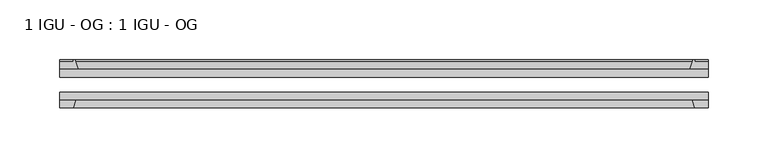
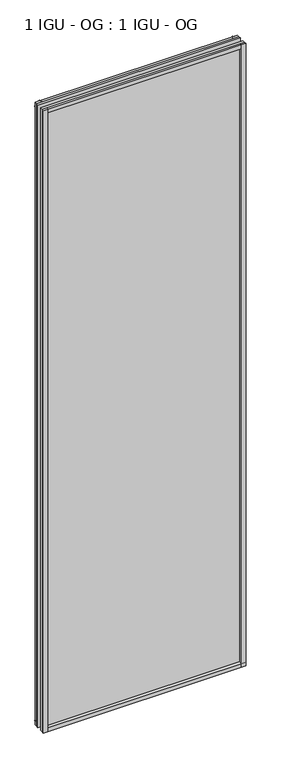
"""IFC4 building model written with IfcOpenShell, lengths in millimetres: plate geometry, 1 IGU - OG : 1 IGU - OG."""

import ifcopenshell
import ifcopenshell.guid

model = None  # the IFC model being written
_history = None  # IfcOwnerHistory: only IFC2X3 demands one
_inside = {}  # id of a spatial element -> (the spatial element, [elements in it])
_under = {}  # id of a project, library or spatial element -> (it, [spatial elements below it])
_declared = {}  # id of a project -> (the project, [libraries it declares])
_typed = {}  # id of a type object -> (the type object, [elements of that type])
_made_of = {}  # id of a material, layer set ... -> (it, [elements and type objects made of it])


def new_model(schema):
    """Start an empty IFC model of exactly this schema.

    Asked for "IFC4X3", IfcOpenShell would pick the latest addendum, in which some entities
    have other attributes; the version numbers below select the first issue.
    IFC2X3 requires an IfcOwnerHistory on every rooted entity: one is made here for all.
    """
    global model, _history
    if schema == "IFC4X3":
        model = ifcopenshell.file(schema_version=(4, 3, 0, 0))
    else:
        model = ifcopenshell.file(schema=schema)
    _inside.clear()
    _under.clear()
    _declared.clear()
    _typed.clear()
    _made_of.clear()
    _history = None
    if model.schema == "IFC2X3":
        org = make("IfcOrganization", Name="unknown")
        user = make(
            "IfcPersonAndOrganization",
            ThePerson=make("IfcPerson", FamilyName="unknown"),
            TheOrganization=org,
        )
        app = make(
            "IfcApplication",
            ApplicationDeveloper=org,
            Version="unknown",
            ApplicationFullName="unknown",
            ApplicationIdentifier="unknown",
        )
        _history = make(
            "IfcOwnerHistory",
            OwningUser=user,
            OwningApplication=app,
            ChangeAction="ADDED",
            CreationDate=0,
        )
    return model


def make(cls, **values):
    """One entity of the class cls with the attributes given. An attribute that is None is left unset."""
    return model.create_entity(
        cls, **{name: value for name, value in values.items() if value is not None}
    )


def rooted(cls, **values):
    """An entity with a GlobalId (a new one), such as an element, a storey or a relation."""
    return make(cls, GlobalId=ifcopenshell.guid.new(), OwnerHistory=_history, **values)


def si_unit(unit_type, name, prefix=None):
    """IfcSIUnit, for example si_unit("LENGTHUNIT", "METRE", prefix="MILLI")."""
    return make("IfcSIUnit", UnitType=unit_type, Prefix=prefix, Name=name)


def assignment(units):
    """IfcUnitAssignment: the units of a project."""
    return None if units is None else make("IfcUnitAssignment", Units=units)


def point(xyz):
    """IfcCartesianPoint."""
    return None if xyz is None else make("IfcCartesianPoint", Coordinates=xyz)


def direction(xyz):
    """IfcDirection."""
    return None if xyz is None else make("IfcDirection", DirectionRatios=xyz)


def frame(location, z_axis=None, x_axis=None):
    """IfcAxis2Placement3D, a coordinate frame: its origin and axes. An axis left out is left unset."""
    return make(
        "IfcAxis2Placement3D",
        Location=point(location),
        Axis=direction(z_axis),
        RefDirection=direction(x_axis),
    )


def frame_2d(location, x_axis=None):
    """IfcAxis2Placement2D, a coordinate frame in the plane: its origin and x axis."""
    return make(
        "IfcAxis2Placement2D", Location=point(location), RefDirection=direction(x_axis)
    )


def origin():
    """The frame at (0, 0, 0) with its axes left unset."""
    return frame((0.0, 0.0, 0.0))


def place(relative_to, where):
    """IfcLocalPlacement: puts the frame where relative to a parent placement (None: the world)."""
    return make(
        "IfcLocalPlacement", PlacementRelTo=relative_to, RelativePlacement=where
    )


def context(
    kind, dimensions, precision=None, world=None, true_north=None, identifier=None
):
    """IfcGeometricRepresentationContext, for example the 3D "Model" context."""
    return make(
        "IfcGeometricRepresentationContext",
        ContextIdentifier=identifier,
        ContextType=kind,
        CoordinateSpaceDimension=dimensions,
        Precision=precision,
        WorldCoordinateSystem=world,
        TrueNorth=true_north,
    )


def project(units=None, contexts=None):
    """IfcProject with its units and contexts."""
    return rooted(
        "IfcProject",
        Name="project",
        RepresentationContexts=contexts,
        UnitsInContext=assignment(units),
    )


def spatial(cls, under=None, at=None, **own):
    """A site, building, storey or space (cls), placed at a placement, below another one or the project."""
    s = rooted(cls, ObjectPlacement=at, **own)
    if under is not None:
        _under.setdefault(under.id(), (under, []))[1].append(s)
    return s


def polyline(points):
    """IfcPolyline through the points."""
    return make("IfcPolyline", Points=[point(p) for p in points])


def circle_curve(where, radius):
    """IfcCircle in the frame where."""
    return make("IfcCircle", Position=where, Radius=radius)


def trimmed(basis, trim1, trim2, sense, master):
    """IfcTrimmedCurve: the piece of a basis curve between two trims."""
    return make(
        "IfcTrimmedCurve",
        BasisCurve=basis,
        Trim1=trim1,
        Trim2=trim2,
        SenseAgreement=sense,
        MasterRepresentation=master,
    )


def segment(curve, same_sense, transition):
    """IfcCompositeCurveSegment."""
    return make(
        "IfcCompositeCurveSegment",
        Transition=transition,
        SameSense=same_sense,
        ParentCurve=curve,
    )


def composite_curve(segments, self_intersect=None):
    """IfcCompositeCurve: segments joined end to end."""
    return make("IfcCompositeCurve", Segments=segments, SelfIntersect=self_intersect)


def outline(outer, holes=None, kind="AREA"):
    """IfcArbitraryClosedProfileDef: a profile drawn as a closed curve; with holes, ...WithVoids."""
    if holes is None:
        return make("IfcArbitraryClosedProfileDef", ProfileType=kind, OuterCurve=outer)
    return make(
        "IfcArbitraryProfileDefWithVoids",
        ProfileType=kind,
        OuterCurve=outer,
        InnerCurves=holes,
    )


def extrude(swept, where, along, depth):
    """IfcExtrudedAreaSolid: the profile swept, set in the frame where, extruded along a direction by depth."""
    return make(
        "IfcExtrudedAreaSolid",
        SweptArea=swept,
        Position=where,
        ExtrudedDirection=direction(along),
        Depth=depth,
    )


def shape(context_of_items, identifier, shape_type, items):
    """IfcShapeRepresentation: the items that make up one representation, for example the "Body"."""
    return make(
        "IfcShapeRepresentation",
        ContextOfItems=context_of_items,
        RepresentationIdentifier=identifier,
        RepresentationType=shape_type,
        Items=items,
    )


def source(mapping_origin, context_of_items, identifier, shape_type, items):
    """IfcRepresentationMap: a shape defined once, which mapped items show again and again."""
    return make(
        "IfcRepresentationMap",
        MappingOrigin=mapping_origin,
        MappedRepresentation=shape(context_of_items, identifier, shape_type, items),
    )


def transform(
    local_origin,
    x_axis=None,
    y_axis=None,
    z_axis=None,
    scale=None,
    scale2=None,
    scale3=None,
    uniform=True,
):
    """IfcCartesianTransformationOperator3D, or its non-uniform kind. x_axis, y_axis, z_axis: its Axis1, 2, 3."""
    if uniform:
        return make(
            "IfcCartesianTransformationOperator3D",
            Axis1=direction(x_axis),
            Axis2=direction(y_axis),
            LocalOrigin=point(local_origin),
            Scale=scale,
            Axis3=direction(z_axis),
        )
    return make(
        "IfcCartesianTransformationOperator3DnonUniform",
        Axis1=direction(x_axis),
        Axis2=direction(y_axis),
        LocalOrigin=point(local_origin),
        Scale=scale,
        Axis3=direction(z_axis),
        Scale2=scale2,
        Scale3=scale3,
    )


def mapped(mapping_source, mapping_target):
    """IfcMappedItem: shows the shape of a source again, moved by a transform."""
    return make(
        "IfcMappedItem", MappingSource=mapping_source, MappingTarget=mapping_target
    )


def made_of(thing, what):
    """Note that an element or type object is made of a material, layer set ...; save() writes the relation."""
    if what is not None:
        _made_of.setdefault(what.id(), (what, []))[1].append(thing)
    return thing


def element(
    cls,
    number,
    at=None,
    inside=None,
    cuts=None,
    type_object=None,
    material=None,
    context=None,
    identifier="Body",
    shape_type=None,
    held_by="IfcProductDefinitionShape",
    body=None,
    shapes=None,
    **own,
):
    """One element of the class cls, such as IfcWall. Its Tag is "e" and its number.

    at: its placement. inside: the storey or other place that contains it. cuts: it is an
    opening in that element (IfcRelVoidsElement). A single representation is given by context,
    identifier, shape_type and body (its items); several are given by shapes. held_by: the class
    of the entity that holds the representations. save() writes the other relations.
    """
    e = rooted(cls, Tag="e%d" % number, ObjectPlacement=at, **own)
    if body is not None:
        shapes = [shape(context, identifier, shape_type, body)]
    if shapes is not None:
        e.Representation = make(held_by, Representations=shapes)
    if inside is not None:
        _inside.setdefault(inside.id(), (inside, []))[1].append(e)
    if cuts is not None:
        rooted(
            "IfcRelVoidsElement", RelatingBuildingElement=cuts, RelatedOpeningElement=e
        )
    if type_object is not None:
        _typed.setdefault(type_object.id(), (type_object, []))[1].append(e)
    return made_of(e, material)


def aggregate(whole, parts):
    """IfcRelAggregates: a whole, such as a stair, and the parts it consists of."""
    return rooted("IfcRelAggregates", RelatingObject=whole, RelatedObjects=parts)


def save(model, path):
    """Write the relations noted so far, then the file.

    IfcRelAggregates (storeys below a building ...), IfcRelContainedInSpatialStructure (elements
    in a storey), IfcRelDefinesByType, IfcRelAssociatesMaterial and IfcRelDeclares: one each for
    every whole, place, type object, material and project.
    """
    for whole, parts in _under.values():
        aggregate(whole, parts)
    for where, things in _inside.values():
        rooted(
            "IfcRelContainedInSpatialStructure",
            RelatedElements=things,
            RelatingStructure=where,
        )
    for kind, things in _typed.values():
        rooted("IfcRelDefinesByType", RelatedObjects=things, RelatingType=kind)
    for what, things in _made_of.values():
        rooted("IfcRelAssociatesMaterial", RelatedObjects=things, RelatingMaterial=what)
    for by, libraries in _declared.values():
        rooted("IfcRelDeclares", RelatingContext=by, RelatedDefinitions=libraries)
    model.write(path)


def plate_1_igu_og_1_igu_og_bec5af62(model_context):
    return source(origin(), model_context, "Body", "SweptSolid", [
        extrude(outline(polyline([(270.2380953, -31.75), (270.2380953, -38.1), (-270.2380953, -38.1), (-270.2380953, -31.75), (270.2380953, -31.75)])), frame((0.0, 0.0, -11.1125), z_axis=(0.0, 0.0, 1.0), x_axis=(1.0, 0.0, 0.0)), (0.0, 0.0, 1.0), 1755.775),
        extrude(outline(polyline([(-270.2380953, -12.7), (270.2380953, -12.7), (270.2380953, -19.05), (-270.2380953, -19.05), (-270.2380953, -12.7)])), frame((0.0, 0.0, -11.1125), z_axis=(0.0, 0.0, 1.0), x_axis=(1.0, 0.0, 0.0)), (0.0, 0.0, 1.0), 1755.775),
        extrude(outline(composite_curve([segment(polyline([(-254.9023044, -12.7), (-270.2380953, -12.7), (-270.2380953, -6.35), (-259.1255953, -6.35), (-259.1255953, -4.7751661), (-258.1961814, -4.7751661)]), True, "CONTINUOUS"), segment(trimmed(circle_curve(frame_2d((-258.1961814, -5.5371661)), 0.762), [point((-258.1961814, -4.7751661))], [point((-257.4539714, -5.364631))], False, "CARTESIAN"), True, "CONTINUOUS"), segment(trimmed(circle_curve(frame_2d((-221.8247532, 2.9177851)), 36.5792237), [point((-257.4539714, -5.364631))], [point((-254.9023044, -12.7))], True, "CARTESIAN"), True, "CONTINUOUS")], self_intersect=False)), frame((0.0, 0.0, -11.1125), z_axis=(0.0, 0.0, 1.0), x_axis=(1.0, 0.0, 0.0)), (0.0, 0.0, 1.0), 1755.775),
        extrude(outline(polyline([(-270.2380953, -38.1), (-257.0203182, -38.1), (-259.1255953, -44.45), (-270.2380953, -44.45), (-270.2380953, -38.1)])), frame((0.0, 0.0, -11.1125), z_axis=(0.0, 0.0, 1.0), x_axis=(1.0, 0.0, 0.0)), (0.0, 0.0, 1.0), 1755.775),
        extrude(outline(composite_curve([segment(trimmed(circle_curve(frame_2d((258.1961814, -5.5371661)), 0.762), [point((257.4539714, -5.364631))], [point((258.1961814, -4.7751661))], False, "CARTESIAN"), True, "CONTINUOUS"), segment(polyline([(258.1961814, -4.7751661), (259.1255953, -4.7751661), (259.1255953, -6.35), (270.2380953, -6.35), (270.2380953, -12.7), (254.9023044, -12.7)]), True, "CONTINUOUS"), segment(trimmed(circle_curve(frame_2d((221.8247532, 2.9177851)), 36.5792237), [point((254.9023044, -12.7))], [point((257.4539714, -5.364631))], True, "CARTESIAN"), True, "CONTINUOUS")], self_intersect=False)), frame((0.0, 0.0, -11.1125), z_axis=(0.0, 0.0, 1.0), x_axis=(1.0, 0.0, 0.0)), (0.0, 0.0, 1.0), 1755.775),
        extrude(outline(polyline([(257.0203182, -38.1), (270.2380953, -38.1), (270.2380953, -44.45), (259.1255953, -44.45), (257.0203182, -38.1)])), frame((0.0, 0.0, -11.1125), z_axis=(0.0, 0.0, 1.0), x_axis=(1.0, 0.0, 0.0)), (0.0, 0.0, 1.0), 1755.775),
        extrude(outline(composite_curve([segment(polyline([(-12.7, -11.1125), (-12.7, 4.2232909)]), True, "CONTINUOUS"), segment(trimmed(circle_curve(frame_2d((2.9177851, 37.3008421)), 36.5792237), [point((-12.7, 4.2232909))], [point((-5.364631, 1.6716239))], True, "CARTESIAN"), True, "CONTINUOUS"), segment(trimmed(circle_curve(frame_2d((-5.5371661, 0.929414)), 0.762), [point((-5.364631, 1.6716239))], [point((-4.7751661, 0.929414))], False, "CARTESIAN"), True, "CONTINUOUS"), segment(polyline([(-4.7751661, 0.929414), (-4.7751661, 0.0), (-6.35, 0.0), (-6.35, -11.1125), (-12.7, -11.1125)]), True, "CONTINUOUS")], self_intersect=False)), frame((-270.2380953, 0.0, 0.0), z_axis=(1.0, 0.0, 0.0), x_axis=(0.0, 1.0, 0.0)), (0.0, 0.0, 1.0), 540.4761906),
        extrude(outline(polyline([(-38.1, 2.1052771), (-38.1, -11.1125), (-44.45, -11.1125), (-44.45, 0.0), (-38.1, 2.1052771)])), frame((-270.2380953, 0.0, 0.0), z_axis=(1.0, 0.0, 0.0), x_axis=(0.0, 1.0, 0.0)), (0.0, 0.0, 1.0), 540.4761906),
        extrude(outline(composite_curve([segment(trimmed(circle_curve(frame_2d((2.9177851, 1696.2491579)), 36.5792237), [point((-5.364631, 1731.8783761))], [point((-12.7, 1729.3267091))], True, "CARTESIAN"), True, "CONTINUOUS"), segment(polyline([(-12.7, 1729.3267091), (-12.7, 1744.6625), (-6.35, 1744.6625), (-6.35, 1733.55), (-4.7751661, 1733.55), (-4.7751661, 1732.620586)]), True, "CONTINUOUS"), segment(trimmed(circle_curve(frame_2d((-5.5371661, 1732.620586)), 0.762), [point((-4.7751661, 1732.620586))], [point((-5.364631, 1731.8783761))], False, "CARTESIAN"), True, "CONTINUOUS")], self_intersect=False)), frame((-270.2380953, 0.0, 0.0), z_axis=(1.0, 0.0, 0.0), x_axis=(0.0, 1.0, 0.0)), (0.0, 0.0, 1.0), 540.4761906),
        extrude(outline(polyline([(-38.1, 1744.6625), (-38.1, 1731.4447229), (-44.45, 1733.55), (-44.45, 1744.6625), (-38.1, 1744.6625)])), frame((-270.2380953, 0.0, 0.0), z_axis=(1.0, 0.0, 0.0), x_axis=(0.0, 1.0, 0.0)), (0.0, 0.0, 1.0), 540.4761906),
    ])


if __name__ == "__main__":
    model = new_model("IFC4")
    model_context = context("Model", 3, world=origin())
    ifc_project = project(units=[si_unit("LENGTHUNIT", "METRE", prefix="MILLI")], contexts=[model_context])
    site = spatial("IfcSite", under=ifc_project)
    building = spatial("IfcBuilding", under=site)
    placement = place(None, origin())
    plate_1_igu_og_1_igu_og_shape = plate_1_igu_og_1_igu_og_bec5af62(model_context)
    element("IfcPlate", 1, ObjectType="1 IGU - OG : 1 IGU - OG", at=placement, inside=building, context=model_context, shape_type="MappedRepresentation", body=[
        mapped(plate_1_igu_og_1_igu_og_shape, transform((0.0, 0.0, 0.0), x_axis=(1.0, 0.0, 0.0), y_axis=(0.0, 1.0, 0.0), z_axis=(0.0, 0.0, 1.0))),
    ])
    save(model, "model.ifc")
